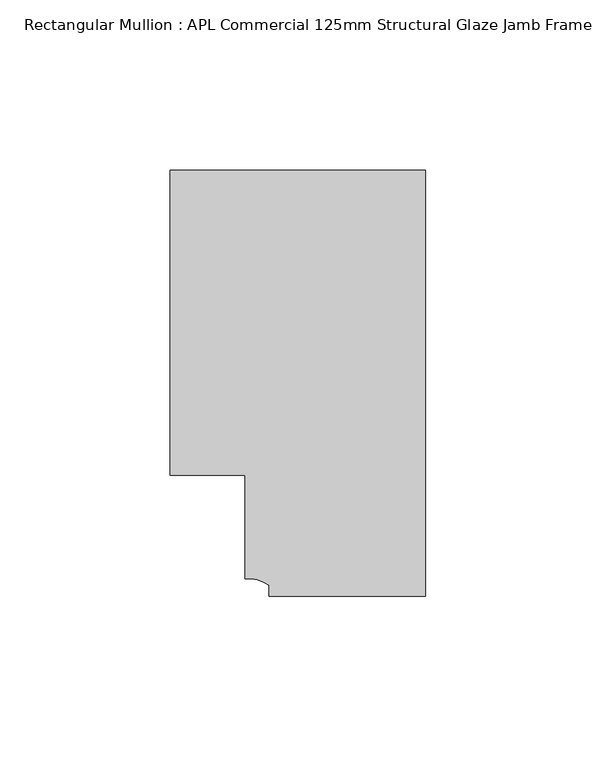
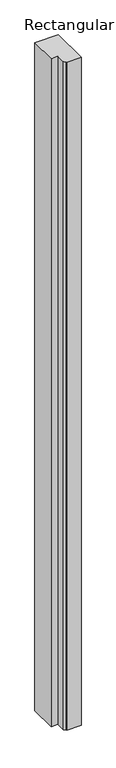
"""IFC4 building model written with IfcOpenShell, lengths in millimetres: member geometry, Rectangular Mullion : APL Commercial 125mm Structural Glaze Jamb Frame (left)."""

from ifc_helpers import new_model, si_unit, point, frame, frame_2d, origin, place, context, project, spatial, polyline, circle_curve, trimmed, segment, composite_curve, outline, extrude, source, transform, mapped, element, save


def rectangular_mullion_apl_commercial_125mm_structural_glaze_545496e3(model_context):
    return source(origin(), model_context, "Body", "SweptSolid", [
        extrude(outline(composite_curve([segment(polyline([(0.0, -20.5), (-45.9999842, -20.5), (-45.9999842, -17.3125325)]), True, "CONTINUOUS"), segment(trimmed(circle_curve(frame_2d((-52.1098019, -25.7981812)), 10.4563907), [point((-45.9999842, -17.3125325))], [point((-52.9999391, -15.3797475))], True, "CARTESIAN"), True, "CONTINUOUS"), segment(polyline([(-52.9999391, -15.3797475), (-52.9999391, 15.0000829), (-75.0, 15.0000829), (-75.0, 104.5), (0.0, 104.5), (0.0, -20.5)]), True, "CONTINUOUS")], self_intersect=False)), frame((0.0, 0.0, -2254.0000029), z_axis=(0.0, 0.0, 1.0), x_axis=(1.0, 0.0, 0.0)), (0.0, 0.0, 1.0), 2254.0000029),
    ])


if __name__ == "__main__":
    model = new_model("IFC4")
    model_context = context("Model", 3, world=origin())
    ifc_project = project(units=[si_unit("LENGTHUNIT", "METRE", prefix="MILLI")], contexts=[model_context])
    site = spatial("IfcSite", under=ifc_project)
    building = spatial("IfcBuilding", under=site)
    placement = place(None, origin())
    rectangular_mullion_apl_commercial_125mm_structural_glaze_shape = rectangular_mullion_apl_commercial_125mm_structural_glaze_545496e3(model_context)
    element("IfcMember", 1, ObjectType="Rectangular Mullion : APL Commercial 125mm Structural Glaze Jamb Frame (left)", at=placement, inside=building, context=model_context, shape_type="MappedRepresentation", body=[
        mapped(rectangular_mullion_apl_commercial_125mm_structural_glaze_shape, transform((0.0, 0.0, 0.0), x_axis=(1.0, 0.0, 0.0), y_axis=(0.0, 1.0, 0.0), z_axis=(0.0, 0.0, 1.0))),
    ])
    save(model, "model.ifc")
